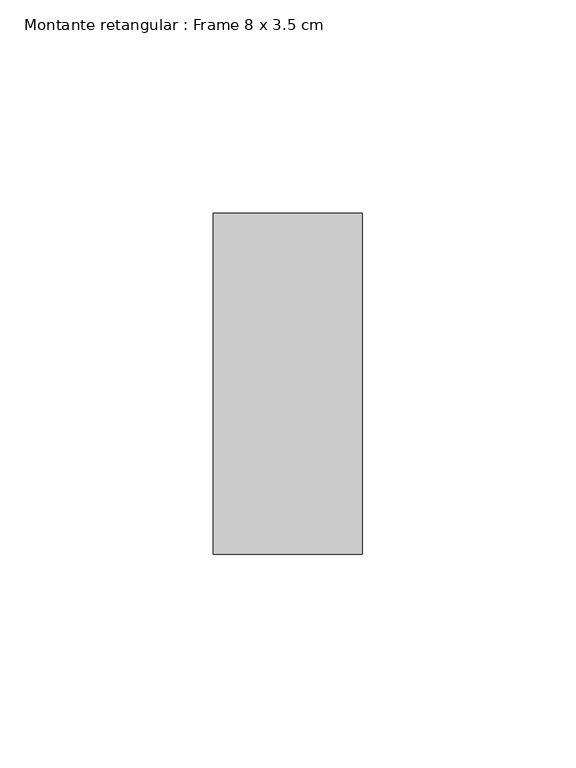
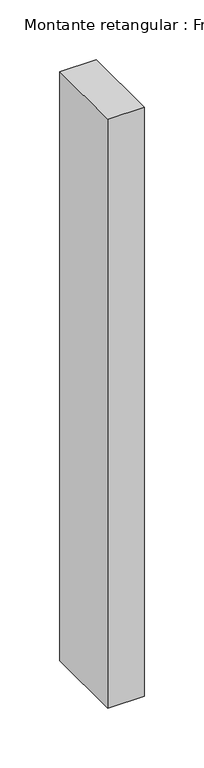
"""IFC4 building model written with IfcOpenShell, lengths in millimetres: member geometry, Montante retangular : Frame 8 x 3.5 cm."""

from ifc_helpers import new_model, si_unit, frame, origin, place, context, project, spatial, polyline, outline, extrude, source, transform, mapped, element, save


def montante_retangular_frame_8_x_3_5_cm_07b2cbae(model_context):
    return source(origin(), model_context, "Body", "SweptSolid", [
        extrude(outline(polyline([(0.0, 40.0), (0.0, -40.0), (-35.0, -40.0), (-35.0, 40.0), (0.0, 40.0)])), frame((0.0, 0.0, -600.0), z_axis=(0.0, 0.0, 1.0), x_axis=(1.0, 0.0, 0.0)), (0.0, 0.0, 1.0), 600.0),
    ])


if __name__ == "__main__":
    model = new_model("IFC4")
    model_context = context("Model", 3, world=origin())
    ifc_project = project(units=[si_unit("LENGTHUNIT", "METRE", prefix="MILLI")], contexts=[model_context])
    site = spatial("IfcSite", under=ifc_project)
    building = spatial("IfcBuilding", under=site)
    placement = place(None, origin())
    montante_retangular_frame_8_x_3_5_cm_shape = montante_retangular_frame_8_x_3_5_cm_07b2cbae(model_context)
    element("IfcMember", 1, ObjectType="Montante retangular : Frame 8 x 3.5 cm", at=placement, inside=building, context=model_context, shape_type="MappedRepresentation", body=[
        mapped(montante_retangular_frame_8_x_3_5_cm_shape, transform((0.0, 0.0, 0.0), x_axis=(1.0, 0.0, 0.0), y_axis=(0.0, 1.0, 0.0), z_axis=(0.0, 0.0, 1.0))),
    ])
    save(model, "model.ifc")
